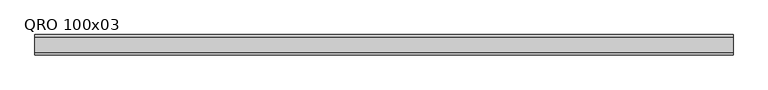
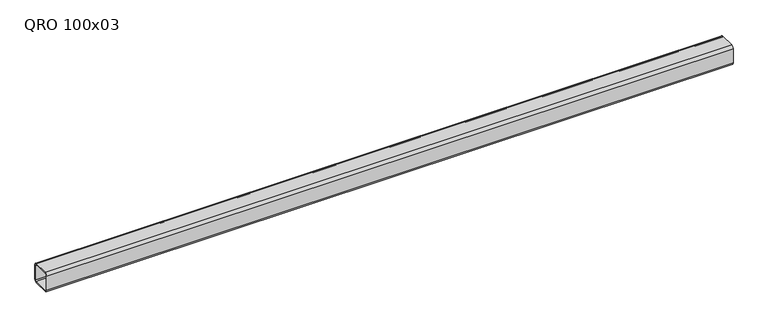
"""IFC4 building model written with IfcOpenShell, lengths in millimetres: beam geometry, QRO 100x03."""

from ifc_helpers import new_model, si_unit, point, frame, frame_2d, origin, place, context, project, spatial, polyline, circle_curve, trimmed, segment, composite_curve, outline, extrude, source, transform, mapped, element, save


def qro_100x03_e144a77c(model_context):
    return source(origin(), model_context, "Body", "SweptSolid", [
        extrude(outline(composite_curve([segment(polyline([(50.0, 38.0), (50.0, -38.0)]), True, "CONTINUOUS"), segment(trimmed(circle_curve(frame_2d((38.0, -38.0)), 12.0), [point((50.0, -38.0))], [point((38.0, -50.0))], False, "CARTESIAN"), True, "CONTINUOUS"), segment(polyline([(38.0, -50.0), (-38.0, -50.0)]), True, "CONTINUOUS"), segment(trimmed(circle_curve(frame_2d((-38.0, -38.0)), 12.0), [point((-38.0, -50.0))], [point((-50.0, -38.0))], False, "CARTESIAN"), True, "CONTINUOUS"), segment(polyline([(-50.0, -38.0), (-50.0, 38.0)]), True, "CONTINUOUS"), segment(trimmed(circle_curve(frame_2d((-38.0, 38.0)), 12.0), [point((-50.0, 38.0))], [point((-38.0, 50.0))], False, "CARTESIAN"), True, "CONTINUOUS"), segment(polyline([(-38.0, 50.0), (38.0, 50.0)]), True, "CONTINUOUS"), segment(trimmed(circle_curve(frame_2d((38.0, 38.0)), 12.0), [point((38.0, 50.0))], [point((50.0, 38.0))], False, "CARTESIAN"), True, "CONTINUOUS")], self_intersect=False), holes=[composite_curve([segment(trimmed(circle_curve(frame_2d((-38.0, 38.0)), 6.0), [point((-38.0, 44.0))], [point((-44.0, 38.0))], True, "CARTESIAN"), True, "CONTINUOUS"), segment(polyline([(-44.0, 38.0), (-44.0, -38.0)]), True, "CONTINUOUS"), segment(trimmed(circle_curve(frame_2d((-38.0, -38.0)), 6.0), [point((-44.0, -38.0))], [point((-38.0, -44.0))], True, "CARTESIAN"), True, "CONTINUOUS"), segment(polyline([(-38.0, -44.0), (38.0, -44.0)]), True, "CONTINUOUS"), segment(trimmed(circle_curve(frame_2d((38.0, -38.0)), 6.0), [point((38.0, -44.0))], [point((44.0, -38.0))], True, "CARTESIAN"), True, "CONTINUOUS"), segment(polyline([(44.0, -38.0), (44.0, 38.0)]), True, "CONTINUOUS"), segment(trimmed(circle_curve(frame_2d((38.0, 38.0)), 6.0), [point((44.0, 38.0))], [point((38.0, 44.0))], True, "CARTESIAN"), True, "CONTINUOUS"), segment(polyline([(38.0, 44.0), (-38.0, 44.0)]), True, "CONTINUOUS")], self_intersect=False)]), frame((-1762.9479805, 0.0, 0.0), z_axis=(1.0, 0.0, 0.0), x_axis=(0.0, 1.0, 0.0)), (0.0, 0.0, 1.0), 3439.4195583),
    ])


if __name__ == "__main__":
    model = new_model("IFC4")
    model_context = context("Model", 3, world=origin())
    ifc_project = project(units=[si_unit("LENGTHUNIT", "METRE", prefix="MILLI")], contexts=[model_context])
    site = spatial("IfcSite", under=ifc_project)
    building = spatial("IfcBuilding", under=site)
    placement = place(None, origin())
    qro_100x03_shape = qro_100x03_e144a77c(model_context)
    element("IfcBeam", 1, ObjectType="QRO 100x03", at=placement, inside=building, context=model_context, shape_type="MappedRepresentation", body=[
        mapped(qro_100x03_shape, transform((0.0, 0.0, 0.0), x_axis=(1.0, 0.0, 0.0), y_axis=(0.0, 1.0, 0.0), z_axis=(0.0, 0.0, 1.0))),
    ])
    save(model, "model.ifc")
